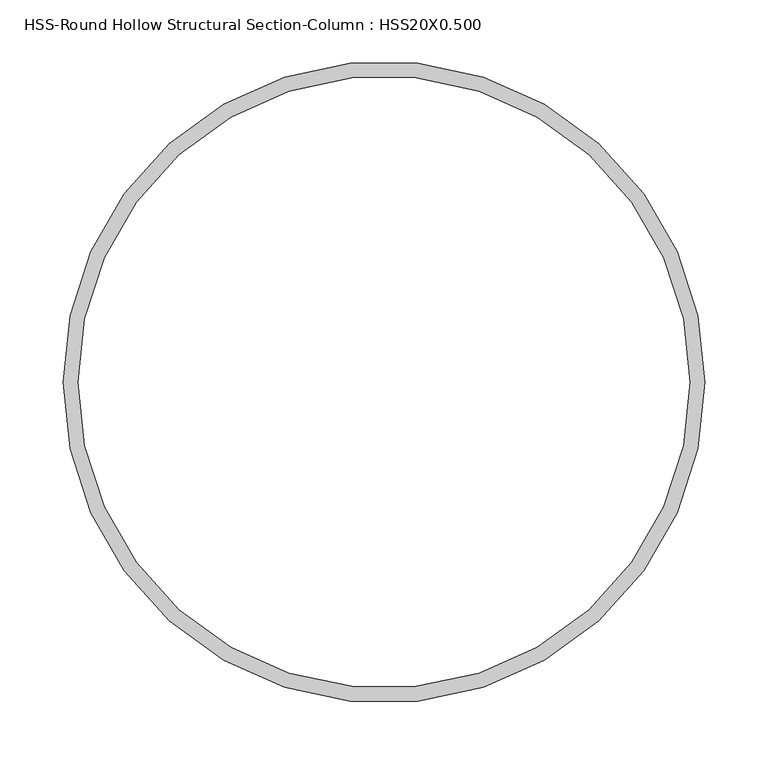
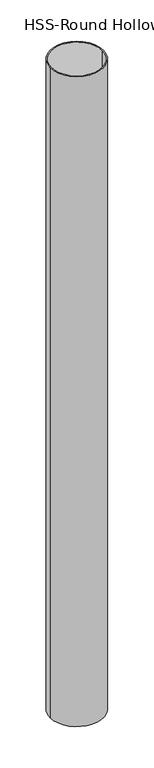
"""IFC4 building model written with IfcOpenShell, lengths in millimetres: column geometry, HSS-Round Hollow Structural Section-Column : HSS20X0.500."""

from ifc_helpers import new_model, si_unit, point, origin, origin_with_axes, origin_2d, place, context, project, spatial, circle_curve, trimmed, segment, composite_curve, outline, extrude, source, transform, mapped, element, save


def hss_round_hollow_structural_section_column_hss20x0_500_c6d05c98(model_context):
    return source(origin(), model_context, "Body", "SweptSolid", [
        extrude(outline(composite_curve([segment(trimmed(circle_curve(origin_2d(), 254.0), [point((-254.0, 0.0))], [point((254.0, 0.0))], False, "CARTESIAN"), True, "CONTINUOUS"), segment(trimmed(circle_curve(origin_2d(), 254.0), [point((254.0, 0.0))], [point((-254.0, 0.0))], False, "CARTESIAN"), True, "CONTINUOUS")], self_intersect=False), holes=[composite_curve([segment(trimmed(circle_curve(origin_2d(), 242.189), [point((-242.189, 0.0))], [point((242.189, 0.0))], True, "CARTESIAN"), True, "CONTINUOUS"), segment(trimmed(circle_curve(origin_2d(), 242.189), [point((242.189, 0.0))], [point((-242.189, 0.0))], True, "CARTESIAN"), True, "CONTINUOUS")], self_intersect=False)]), origin_with_axes(), (0.0, 0.0, 1.0), 6527.8),
    ])


if __name__ == "__main__":
    model = new_model("IFC4")
    model_context = context("Model", 3, world=origin())
    ifc_project = project(units=[si_unit("LENGTHUNIT", "METRE", prefix="MILLI")], contexts=[model_context])
    site = spatial("IfcSite", under=ifc_project)
    building = spatial("IfcBuilding", under=site)
    placement = place(None, origin())
    hss_round_hollow_structural_section_column_hss20x0_500_shape = hss_round_hollow_structural_section_column_hss20x0_500_c6d05c98(model_context)
    element("IfcColumn", 1, ObjectType="HSS-Round Hollow Structural Section-Column : HSS20X0.500", at=placement, inside=building, context=model_context, shape_type="MappedRepresentation", body=[
        mapped(hss_round_hollow_structural_section_column_hss20x0_500_shape, transform((0.0, 0.0, 0.0), x_axis=(1.0, 0.0, 0.0), y_axis=(0.0, 1.0, 0.0), z_axis=(0.0, 0.0, 1.0))),
    ])
    save(model, "model.ifc")
